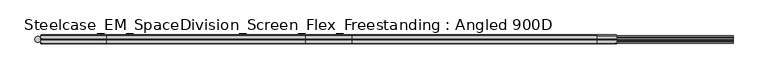
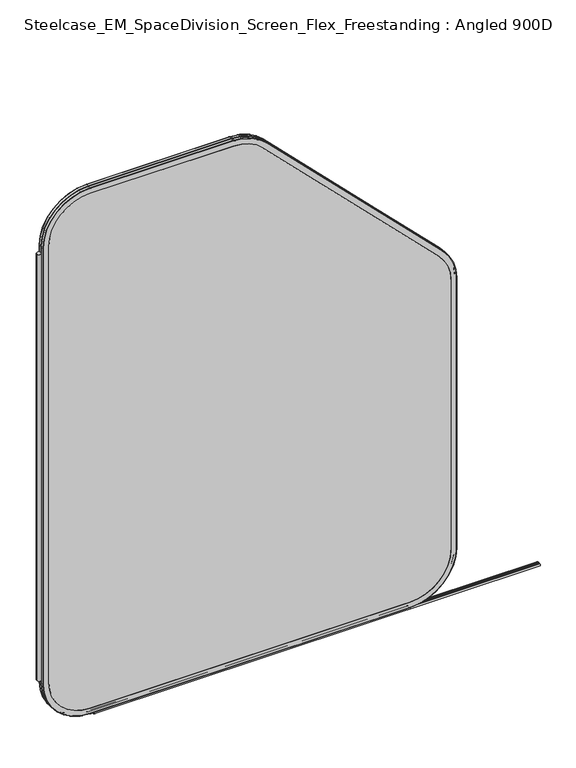
"""IFC4 building model written with IfcOpenShell, lengths in millimetres: furniture geometry, Steelcase_EM_SpaceDivision_Screen_Flex_Freestanding : Angled 900D."""

from ifc_helpers import new_model, si_unit, point, frame, frame_2d, origin, place, context, project, spatial, polyline, circle_curve, ellipse_curve, trimmed, segment, composite_curve, outline, extrude, source, transform, mapped, element, save
from ifc_brep_helpers import plane_surface, cylinder_surface, revolved_surface, advanced_brep


def steelcase_em_spacedivision_screen_flex_freestanding_angled_c99e018a(model_context):
    return source(origin(), model_context, "Body", "SolidModel", [
        extrude(outline(composite_curve([segment(trimmed(circle_curve(frame_2d((4.5307839, 0.0)), 4.572), [point((-0.0412161, 0.0))], [point((9.1027839, 0.0))], False, "CARTESIAN"), True, "CONTINUOUS"), segment(trimmed(circle_curve(frame_2d((4.5307839, 0.0)), 4.572), [point((9.1027839, 0.0))], [point((-0.0412161, 0.0))], False, "CARTESIAN"), True, "CONTINUOUS")], self_intersect=False)), frame((0.0, 0.0, 115.57), z_axis=(0.0, 0.0, 1.0), x_axis=(1.0, 0.0, 0.0)), (0.0, 0.0, 1.0), 968.86),
        advanced_brep(
        [(110.7653521, 5.9845715, 4.9996464), (9.1653521, 5.9845715, 106.5996464), (10.0387806, 6.858, 106.5996464), (110.7653521, 6.858, 5.8730749), (110.7653521, 0.762, 4.9996464), (9.1653521, 0.762, 106.5996464), (110.7653521, 0.0, 5.7616464), (9.9273521, 0.0, 106.5996464), (110.7653521, 6.858, 17.6996464), (21.8653521, 6.858, 106.5996464), (21.8653521, 0.0, 106.5996464), (110.7653521, 0.0, 17.6996464), (798.322, 6.858, 5.8730749), (798.322, 5.9845715, 4.9996464), (798.322, 0.762, 4.9996464), (798.322, 0.0, 5.7616464), (798.322, 0.0, 17.6996464), (798.322, 6.858, 17.6996464), (899.922, 5.9845715, 106.5996464), (899.0485715, 6.858, 106.5996464), (899.922, 0.762, 106.5996464), (899.16, 0.0, 106.5996464), (887.222, 6.858, 106.5996464), (887.222, 0.0, 106.5996464), (899.0485715, 6.858, 718.9932099), (899.922, 5.9845715, 718.9932099), (899.922, 0.762, 718.9932099), (899.16, 0.0, 718.9932099), (887.222, 0.0, 718.9932099), (887.222, 6.858, 718.9932099), (870.164049, 5.9845715, 790.8352588), (869.5464418, 6.858, 790.2176516), (870.164049, 0.762, 790.8352588), (869.6252336, 0.0, 790.2964435), (861.1837928, 6.858, 781.8550027), (861.1837928, 0.0, 781.8550027), (490.1396516, 6.858, 1169.6244418), (490.7572588, 5.9845715, 1170.242049), (490.7572588, 0.762, 1170.242049), (490.2184435, 0.0, 1169.7032336), (481.7770027, 0.0, 1161.2617928), (481.7770027, 6.858, 1161.2617928), (418.9152099, 5.9845715, 1200.0), (418.9152099, 6.858, 1199.1265715), (418.9152099, 0.762, 1200.0), (418.9152099, 0.0, 1199.238), (418.9152099, 6.858, 1187.3), (418.9152099, 0.0, 1187.3), (110.7653521, 6.858, 1199.1265715), (110.7653521, 5.9845715, 1200.0), (110.7653521, 0.762, 1200.0), (110.7653521, 0.0, 1199.238), (110.7653521, 0.0, 1187.3), (110.7653521, 6.858, 1187.3), (9.1653521, 5.9845715, 1098.4), (10.0387806, 6.858, 1098.4), (9.1653521, 0.762, 1098.4), (9.9273521, 0.0, 1098.4), (21.8653521, 6.858, 1098.4), (21.8653521, 0.0, 1098.4)],
        [
            (0, 1, circle_curve(frame((110.7653521, 5.9845715, 106.5996464), z_axis=(0.0, 1.0, 0.0), x_axis=(-1.0, 0.0, 0.0)), 101.6)),
            (1, 2, circle_curve(frame((10.0387806, 5.9845715, 106.5996464), z_axis=(0.0, 0.0, -1.0), x_axis=(0.0, -1.0, 0.0)), 0.8734285)),
            (2, 3, circle_curve(frame((110.7653521, 6.858, 106.5996464), z_axis=(0.0, -1.0, 0.0), x_axis=(-1.0, 0.0, 0.0)), 100.7265715)),
            (3, 0, circle_curve(frame((110.7653521, 5.9845715, 5.8730749), z_axis=(-1.0, 0.0, 0.0), x_axis=(0.0, -1.0, 0.0)), 0.8734285)),
            (4, 5, circle_curve(frame((110.7653521, 0.762, 106.5996464), z_axis=(0.0, 1.0, 0.0), x_axis=(-1.0, 0.0, 0.0)), 101.6)),
            (5, 1),
            (0, 4),
            (6, 7, circle_curve(frame((110.7653521, 0.0, 106.5996464), z_axis=(0.0, 1.0, 0.0), x_axis=(-1.0, 0.0, 0.0)), 100.838)),
            (7, 5, circle_curve(frame((9.9273521, 0.762, 106.5996464), z_axis=(0.0, 0.0, -1.0), x_axis=(0.0, -1.0, 0.0)), 0.762)),
            (4, 6, circle_curve(frame((110.7653521, 0.762, 5.7616464), z_axis=(-1.0, 0.0, 0.0), x_axis=(0.0, -1.0, 0.0)), 0.762)),
            (8, 9, circle_curve(frame((110.7653521, 6.858, 106.5996464), z_axis=(0.0, 1.0, 0.0), x_axis=(-1.0, 0.0, 0.0)), 88.9)),
            (9, 10),
            (10, 11, circle_curve(frame((110.7653521, 0.0, 106.5996464), z_axis=(0.0, -1.0, 0.0), x_axis=(-1.0, 0.0, 0.0)), 88.9)),
            (11, 8),
            (3, 12),
            (12, 13, circle_curve(frame((798.322, 5.9845715, 5.8730749), z_axis=(-1.0, 0.0, 0.0), x_axis=(0.0, -1.0, 0.0)), 0.8734285)),
            (13, 0),
            (13, 14),
            (14, 4),
            (14, 15, circle_curve(frame((798.322, 0.762, 5.7616464), z_axis=(-1.0, 0.0, 0.0), x_axis=(0.0, -1.0, 0.0)), 0.762)),
            (15, 6),
            (11, 16),
            (16, 17),
            (17, 8),
            (18, 13, circle_curve(frame((798.322, 5.9845715, 106.5996464), z_axis=(0.0, 1.0, 0.0), x_axis=(0.0, 0.0, -1.0)), 101.6)),
            (12, 19, circle_curve(frame((798.322, 6.858, 106.5996464), z_axis=(0.0, -1.0, 0.0), x_axis=(0.0, 0.0, -1.0)), 100.7265715)),
            (19, 18, circle_curve(frame((899.0485715, 5.9845715, 106.5996464), z_axis=(0.0, 0.0, -1.0), x_axis=(0.0, -1.0, 0.0)), 0.8734285)),
            (20, 14, circle_curve(frame((798.322, 0.762, 106.5996464), z_axis=(0.0, 1.0, 0.0), x_axis=(0.0, 0.0, -1.0)), 101.6)),
            (18, 20),
            (21, 15, circle_curve(frame((798.322, 0.0, 106.5996464), z_axis=(0.0, 1.0, 0.0), x_axis=(0.0, 0.0, -1.0)), 100.838)),
            (20, 21, circle_curve(frame((899.16, 0.762, 106.5996464), z_axis=(0.0, 0.0, -1.0), x_axis=(0.0, -1.0, 0.0)), 0.762)),
            (22, 17, circle_curve(frame((798.322, 6.858, 106.5996464), z_axis=(0.0, 1.0, 0.0), x_axis=(0.0, 0.0, -1.0)), 88.9)),
            (16, 23, circle_curve(frame((798.322, 0.0, 106.5996464), z_axis=(0.0, -1.0, 0.0), x_axis=(0.0, 0.0, -1.0)), 88.9)),
            (23, 22),
            (19, 24),
            (24, 25, circle_curve(frame((899.0485715, 5.9845715, 718.9932099), z_axis=(0.0, 0.0, -1.0), x_axis=(0.0, -1.0, 0.0)), 0.8734285)),
            (25, 18),
            (25, 26),
            (26, 20),
            (26, 27, circle_curve(frame((899.16, 0.762, 718.9932099), z_axis=(0.0, 0.0, -1.0), x_axis=(0.0, -1.0, 0.0)), 0.762)),
            (27, 21),
            (23, 28),
            (28, 29),
            (29, 22),
            (30, 25, circle_curve(frame((798.322, 5.9845715, 718.9932099), z_axis=(0.0, 1.0, 0.0), x_axis=(1.0, 0.0, 0.0)), 101.6)),
            (24, 31, circle_curve(frame((798.322, 6.858, 718.9932099), z_axis=(0.0, -1.0, 0.0), x_axis=(1.0, 0.0, 0.0)), 100.7265715)),
            (31, 30, circle_curve(frame((869.5464418, 5.9845715, 790.2176516), z_axis=(0.7071067811865717, 0.0, -0.7071067811865234), x_axis=(0.0, -1.0, 0.0)), 0.8734285)),
            (32, 26, circle_curve(frame((798.322, 0.762, 718.9932099), z_axis=(0.0, 1.0, 0.0), x_axis=(1.0, 0.0, 0.0)), 101.6)),
            (30, 32),
            (33, 27, circle_curve(frame((798.322, 0.0, 718.9932099), z_axis=(0.0, 1.0, 0.0), x_axis=(1.0, 0.0, 0.0)), 100.838)),
            (32, 33, circle_curve(frame((869.6252336, 0.762, 790.2964435), z_axis=(0.7071067811865707, 0.0, -0.7071067811865244), x_axis=(0.0, -1.0, 0.0)), 0.762)),
            (34, 29, circle_curve(frame((798.322, 6.858, 718.9932099), z_axis=(0.0, 1.0, 0.0), x_axis=(1.0, 0.0, 0.0)), 88.9)),
            (28, 35, circle_curve(frame((798.322, 0.0, 718.9932099), z_axis=(0.0, -1.0, 0.0), x_axis=(1.0, 0.0, 0.0)), 88.9)),
            (35, 34),
            (31, 36),
            (36, 37, circle_curve(frame((490.1396516, 5.9845715, 1169.6244418), z_axis=(0.7071067811865462, 0.0, -0.707106781186549), x_axis=(0.0, -1.0, 0.0)), 0.8734285)),
            (37, 30),
            (37, 38),
            (38, 32),
            (38, 39, circle_curve(frame((490.2184435, 0.762, 1169.7032336), z_axis=(0.7071067811865462, 0.0, -0.707106781186549), x_axis=(0.0, -1.0, 0.0)), 0.762)),
            (39, 33),
            (35, 40),
            (40, 41),
            (41, 34),
            (42, 37, circle_curve(frame((418.9152099, 5.9845715, 1098.4), z_axis=(0.0, 1.0, 0.0), x_axis=(0.7071067811865533, 0.0, 0.7071067811865417)), 101.6)),
            (36, 43, circle_curve(frame((418.9152099, 6.858, 1098.4), z_axis=(0.0, -1.0, 0.0), x_axis=(0.7071067811865533, 0.0, 0.7071067811865417)), 100.7265715)),
            (43, 42, circle_curve(frame((418.9152099, 5.9845715, 1199.1265715), z_axis=(1.0, 0.0, 0.0), x_axis=(0.0, -1.0, 0.0)), 0.8734285)),
            (44, 38, circle_curve(frame((418.9152099, 0.762, 1098.4), z_axis=(0.0, 1.0, 0.0), x_axis=(0.7071067811865533, 0.0, 0.7071067811865417)), 101.6)),
            (42, 44),
            (45, 39, circle_curve(frame((418.9152099, 0.0, 1098.4), z_axis=(0.0, 1.0, 0.0), x_axis=(0.7071067811865533, 0.0, 0.7071067811865417)), 100.838)),
            (44, 45, circle_curve(frame((418.9152099, 0.762, 1199.238), z_axis=(1.0, 0.0, 0.0), x_axis=(0.0, -1.0, 0.0)), 0.762)),
            (46, 41, circle_curve(frame((418.9152099, 6.858, 1098.4), z_axis=(0.0, 1.0, 0.0), x_axis=(0.7071067811865533, 0.0, 0.7071067811865417)), 88.9)),
            (40, 47, circle_curve(frame((418.9152099, 0.0, 1098.4), z_axis=(0.0, -1.0, 0.0), x_axis=(0.7071067811865533, 0.0, 0.7071067811865417)), 88.9)),
            (47, 46),
            (43, 48),
            (48, 49, circle_curve(frame((110.7653521, 5.9845715, 1199.1265715), z_axis=(1.0, 0.0, 0.0), x_axis=(0.0, -1.0, 0.0)), 0.8734285)),
            (49, 42),
            (49, 50),
            (50, 44),
            (50, 51, circle_curve(frame((110.7653521, 0.762, 1199.238), z_axis=(1.0, 0.0, 0.0), x_axis=(0.0, -1.0, 0.0)), 0.762)),
            (51, 45),
            (47, 52),
            (52, 53),
            (53, 46),
            (54, 49, circle_curve(frame((110.7653521, 5.9845715, 1098.4), z_axis=(0.0, 1.0, 0.0), x_axis=(0.0, 0.0, 1.0)), 101.6)),
            (48, 55, circle_curve(frame((110.7653521, 6.858, 1098.4), z_axis=(0.0, -1.0, 0.0), x_axis=(0.0, 0.0, 1.0)), 100.7265715)),
            (55, 54, circle_curve(frame((10.0387806, 5.9845715, 1098.4), z_axis=(0.0, 0.0, 1.0), x_axis=(0.0, -1.0, 0.0)), 0.8734285)),
            (56, 50, circle_curve(frame((110.7653521, 0.762, 1098.4), z_axis=(0.0, 1.0, 0.0), x_axis=(0.0, 0.0, 1.0)), 101.6)),
            (54, 56),
            (57, 51, circle_curve(frame((110.7653521, 0.0, 1098.4), z_axis=(0.0, 1.0, 0.0), x_axis=(0.0, 0.0, 1.0)), 100.838)),
            (56, 57, circle_curve(frame((9.9273521, 0.762, 1098.4), z_axis=(0.0, 0.0, 1.0), x_axis=(0.0, -1.0, 0.0)), 0.762)),
            (58, 53, circle_curve(frame((110.7653521, 6.858, 1098.4), z_axis=(0.0, 1.0, 0.0), x_axis=(0.0, 0.0, 1.0)), 88.9)),
            (52, 59, circle_curve(frame((110.7653521, 0.0, 1098.4), z_axis=(0.0, -1.0, 0.0), x_axis=(0.0, 0.0, 1.0)), 88.9)),
            (59, 58),
            (2, 55),
            (58, 9),
            (1, 54),
            (5, 56),
            (7, 57),
            (10, 59),
        ],
        [
            revolved_surface(trimmed(ellipse_curve(frame((10.0387806, 5.9845715, 106.5996464), z_axis=(0.0, 0.0, 1.0), x_axis=(0.0, -1.0, 0.0)), 0.8734285, 0.8734285), [point((10.0387806, 6.858, 106.5996464))], [point((9.1653521, 5.9845715, 106.5996464))], True, "CARTESIAN"), (110.7653521, 0.0, 106.5996464), (0.0, -1.0, 0.0)),
            cylinder_surface(frame((110.7653521, 0.0, 106.5996464), z_axis=(0.0, -1.0, 0.0), x_axis=(-1.0, 0.0, 0.0)), 101.6),
            revolved_surface(trimmed(ellipse_curve(frame((9.9273521, 0.762, 106.5996464), z_axis=(0.0, 0.0, 1.0), x_axis=(0.0, -1.0, 0.0)), 0.762, 0.762), [point((9.1653521, 0.762, 106.5996464))], [point((9.9273521, 0.0, 106.5996464))], True, "CARTESIAN"), (110.7653521, 0.0, 106.5996464), (0.0, -1.0, 0.0)),
            revolved_surface(polyline([(21.865352099999996, 0.0, 106.5996464), (21.865352099999996, 6.858, 106.5996464)]), (110.7653521, 0.0, 106.5996464), (0.0, -1.0, 0.0)),
            cylinder_surface(frame((110.7653521, 5.9845715, 5.8730749), z_axis=(-1.0, 0.0, 0.0), x_axis=(0.0, -1.0, 0.0)), 0.8734285),
            plane_surface(frame((110.7653521, 5.9845715, 4.9996464), z_axis=(0.0, 0.0, -1.0), x_axis=(1.0, 0.0, 0.0))),
            cylinder_surface(frame((110.7653521, 0.762, 5.7616464), z_axis=(-1.0, 0.0, 0.0), x_axis=(0.0, -1.0, 0.0)), 0.762),
            plane_surface(frame((110.7653521, 0.0, 17.6996464), z_axis=(0.0, 0.0, 1.0), x_axis=(1.0, 0.0, 0.0))),
            revolved_surface(trimmed(ellipse_curve(frame((798.322, 5.9845715, 5.8730749), z_axis=(-1.0, 0.0, 0.0), x_axis=(0.0, -1.0, 0.0)), 0.8734285, 0.8734285), [point((798.322, 6.858, 5.8730749))], [point((798.322, 5.9845715, 4.9996464))], True, "CARTESIAN"), (798.322, 0.0, 106.5996464), (0.0, -1.0, 0.0)),
            cylinder_surface(frame((798.322, 0.0, 106.5996464), z_axis=(0.0, -1.0, 0.0), x_axis=(0.0, 0.0, -1.0)), 101.6),
            revolved_surface(trimmed(ellipse_curve(frame((798.322, 0.762, 5.7616464), z_axis=(-1.0, 0.0, 0.0), x_axis=(0.0, -1.0, 0.0)), 0.762, 0.762), [point((798.322, 0.762, 4.9996464))], [point((798.322, 0.0, 5.7616464))], True, "CARTESIAN"), (798.322, 0.0, 106.5996464), (0.0, -1.0, 0.0)),
            revolved_surface(polyline([(798.322, 0.0, 17.699646399999992), (798.322, 6.858, 17.699646399999992)]), (798.322, 0.0, 106.5996464), (0.0, -1.0, 0.0)),
            cylinder_surface(frame((899.0485715, 5.9845715, 106.5996464), z_axis=(0.0, 0.0, -1.0), x_axis=(0.0, -1.0, 0.0)), 0.8734285),
            plane_surface(frame((899.922, 5.9845715, 106.5996464), z_axis=(1.0, 0.0, 0.0), x_axis=(0.0, 0.0, 1.0))),
            cylinder_surface(frame((899.16, 0.762, 106.5996464), z_axis=(0.0, 0.0, -1.0), x_axis=(0.0, -1.0, 0.0)), 0.762),
            plane_surface(frame((887.222, 0.0, 106.5996464), z_axis=(-1.0, 0.0, 0.0), x_axis=(0.0, 0.0, 1.0))),
            revolved_surface(trimmed(ellipse_curve(frame((899.0485715, 5.9845715, 718.9932099), z_axis=(0.0, 0.0, -1.0), x_axis=(0.0, -1.0, 0.0)), 0.8734285, 0.8734285), [point((899.0485715, 6.858, 718.9932099))], [point((899.922, 5.9845715, 718.9932099))], True, "CARTESIAN"), (798.322, 0.0, 718.9932099), (0.0, -1.0, 0.0)),
            cylinder_surface(frame((798.322, 0.0, 718.9932099), z_axis=(0.0, -1.0, 0.0), x_axis=(1.0, 0.0, 0.0)), 101.6),
            revolved_surface(trimmed(ellipse_curve(frame((899.16, 0.762, 718.9932099), z_axis=(0.0, 0.0, -1.0), x_axis=(0.0, -1.0, 0.0)), 0.762, 0.762), [point((899.922, 0.762, 718.9932099))], [point((899.16, 0.0, 718.9932099))], True, "CARTESIAN"), (798.322, 0.0, 718.9932099), (0.0, -1.0, 0.0)),
            revolved_surface(polyline([(887.222, 0.0, 718.9932099), (887.222, 6.858, 718.9932099)]), (798.322, 0.0, 718.9932099), (0.0, -1.0, 0.0)),
            cylinder_surface(frame((869.5464418, 5.9845715, 790.2176516), z_axis=(0.7071067811865462, 0.0, -0.707106781186549), x_axis=(0.0, -1.0, 0.0)), 0.8734285),
            plane_surface(frame((870.164049, 5.9845715, 790.8352588), z_axis=(0.707106781186549, 0.0, 0.707106781186546), x_axis=(-0.707106781186546, 0.0, 0.707106781186549))),
            cylinder_surface(frame((869.6252336, 0.762, 790.2964435), z_axis=(0.7071067811865462, 0.0, -0.707106781186549), x_axis=(0.0, -1.0, 0.0)), 0.762),
            plane_surface(frame((861.1837928, 0.0, 781.8550027), z_axis=(-0.7071067811865489, 0.0, -0.7071067811865461), x_axis=(-0.7071067811865461, 0.0, 0.7071067811865489))),
            revolved_surface(trimmed(ellipse_curve(frame((490.1396516, 5.9845715, 1169.6244418), z_axis=(0.7071067811865419, 0.0, -0.7071067811865531), x_axis=(0.0, -1.0, 0.0)), 0.8734285, 0.8734285), [point((490.1396516, 6.858, 1169.6244418))], [point((490.7572588, 5.9845715, 1170.242049))], True, "CARTESIAN"), (418.9152099, 0.0, 1098.4), (0.0, -1.0, 0.0)),
            cylinder_surface(frame((418.9152099, 0.0, 1098.4), z_axis=(0.0, -1.0, 0.0), x_axis=(0.7071067811865533, 0.0, 0.7071067811865417)), 101.6),
            revolved_surface(trimmed(ellipse_curve(frame((490.2184435, 0.762, 1169.7032336), z_axis=(0.7071067811865419, 0.0, -0.7071067811865531), x_axis=(0.0, -1.0, 0.0)), 0.762, 0.762), [point((490.7572588, 0.762, 1170.242049))], [point((490.2184435, 0.0, 1169.7032336))], True, "CARTESIAN"), (418.9152099, 0.0, 1098.4), (0.0, -1.0, 0.0)),
            revolved_surface(polyline([(481.7770027474846, 0.0, 1161.2617928474835), (481.7770027474846, 6.858, 1161.2617928474835)]), (418.9152099, 0.0, 1098.4), (0.0, -1.0, 0.0)),
            cylinder_surface(frame((418.9152099, 5.9845715, 1199.1265715), z_axis=(1.0, 0.0, 0.0), x_axis=(0.0, -1.0, 0.0)), 0.8734285),
            plane_surface(frame((418.9152099, 5.9845715, 1200.0), z_axis=(0.0, 0.0, 1.0), x_axis=(-1.0, 0.0, 0.0))),
            cylinder_surface(frame((418.9152099, 0.762, 1199.238), z_axis=(1.0, 0.0, 0.0), x_axis=(0.0, -1.0, 0.0)), 0.762),
            plane_surface(frame((418.9152099, 0.0, 1187.3), z_axis=(0.0, 0.0, -1.0), x_axis=(-1.0, 0.0, 0.0))),
            revolved_surface(trimmed(ellipse_curve(frame((110.7653521, 5.9845715, 1199.1265715), z_axis=(1.0, 0.0, 0.0), x_axis=(0.0, -1.0, 0.0)), 0.8734285, 0.8734285), [point((110.7653521, 6.858, 1199.1265715))], [point((110.7653521, 5.9845715, 1200.0))], True, "CARTESIAN"), (110.7653521, 0.0, 1098.4), (0.0, -1.0, 0.0)),
            cylinder_surface(frame((110.7653521, 0.0, 1098.4), z_axis=(0.0, -1.0, 0.0), x_axis=(0.0, 0.0, 1.0)), 101.6),
            revolved_surface(trimmed(ellipse_curve(frame((110.7653521, 0.762, 1199.238), z_axis=(1.0, 0.0, 0.0), x_axis=(0.0, -1.0, 0.0)), 0.762, 0.762), [point((110.7653521, 0.762, 1200.0))], [point((110.7653521, 0.0, 1199.238))], True, "CARTESIAN"), (110.7653521, 0.0, 1098.4), (0.0, -1.0, 0.0)),
            revolved_surface(polyline([(110.7653521, 0.0, 1187.3000000000002), (110.7653521, 6.858, 1187.3000000000002)]), (110.7653521, 0.0, 1098.4), (0.0, -1.0, 0.0)),
            plane_surface(frame((21.8653521, 6.858, 1098.4), z_axis=(0.0, 1.0, 0.0), x_axis=(0.0, 0.0, -1.0))),
            cylinder_surface(frame((10.0387806, 5.9845715, 1098.4), z_axis=(0.0, 0.0, 1.0), x_axis=(0.0, -1.0, 0.0)), 0.8734285),
            plane_surface(frame((9.1653521, 5.9845715, 1098.4), z_axis=(-1.0, 0.0, 0.0), x_axis=(0.0, 0.0, -1.0))),
            cylinder_surface(frame((9.9273521, 0.762, 1098.4), z_axis=(0.0, 0.0, 1.0), x_axis=(0.0, -1.0, 0.0)), 0.762),
            plane_surface(frame((9.9273521, 0.0, 1098.4), z_axis=(0.0, -1.0, 0.0), x_axis=(0.0, 0.0, -1.0))),
            plane_surface(frame((21.8653521, 0.0, 1098.4), z_axis=(1.0, 0.0, 0.0), x_axis=(0.0, 0.0, -1.0))),
        ],
        [
            (0, [[1, 2, 3, 4]]),
            (1, [[5, 6, -1, 7]]),
            (2, [[8, 9, -5, 10]]),
            (3, [[11, 12, 13, 14]]),
            (4, [[-4, 15, 16, 17]]),
            (5, [[-7, -17, 18, 19]]),
            (6, [[-10, -19, 20, 21]]),
            (7, [[-14, 22, 23, 24]]),
            (8, [[25, -16, 26, 27]]),
            (9, [[28, -18, -25, 29]]),
            (10, [[30, -20, -28, 31]]),
            (11, [[32, -23, 33, 34]]),
            (12, [[-27, 35, 36, 37]]),
            (13, [[-29, -37, 38, 39]]),
            (14, [[-31, -39, 40, 41]]),
            (15, [[-34, 42, 43, 44]]),
            (16, [[45, -36, 46, 47]]),
            (17, [[48, -38, -45, 49]]),
            (18, [[50, -40, -48, 51]]),
            (19, [[52, -43, 53, 54]]),
            (20, [[-47, 55, 56, 57]]),
            (21, [[-49, -57, 58, 59]]),
            (22, [[-51, -59, 60, 61]]),
            (23, [[-54, 62, 63, 64]]),
            (24, [[65, -56, 66, 67]]),
            (25, [[68, -58, -65, 69]]),
            (26, [[70, -60, -68, 71]]),
            (27, [[72, -63, 73, 74]]),
            (28, [[-67, 75, 76, 77]]),
            (29, [[-69, -77, 78, 79]]),
            (30, [[-71, -79, 80, 81]]),
            (31, [[-74, 82, 83, 84]]),
            (32, [[85, -76, 86, 87]]),
            (33, [[88, -78, -85, 89]]),
            (34, [[90, -80, -88, 91]]),
            (35, [[92, -83, 93, 94]]),
            (36, [[95, -86, -75, -66, -55, -46, -35, -26, -15, -3], [-84, -92, 96, -11, -24, -32, -44, -52, -64, -72]]),
            (37, [[-87, -95, -2, 97]]),
            (38, [[-89, -97, -6, 98]]),
            (39, [[-91, -98, -9, 99]]),
            (40, [[-81, -90, -99, -8, -21, -30, -41, -50, -61, -70], [100, -93, -82, -73, -62, -53, -42, -33, -22, -13]]),
            (41, [[-94, -100, -12, -96]]),
        ],
    ),
        advanced_brep(
        [(110.7653521, -0.762, 4.9996464), (9.1653521, -0.762, 106.5996464), (9.9273521, 0.0, 106.5996464), (110.7653521, 0.0, 5.7616464), (110.7653521, -6.096, 4.9996464), (9.1653521, -6.096, 106.5996464), (110.7653521, -6.858, 5.7616464), (9.9273521, -6.858, 106.5996464), (110.7653521, 0.0, 17.6996464), (21.8653521, 0.0, 106.5996464), (21.8653521, -6.858, 106.5996464), (110.7653521, -6.858, 17.6996464), (798.322, 0.0, 5.7616464), (798.322, -0.762, 4.9996464), (798.322, -6.096, 4.9996464), (798.322, -6.858, 5.7616464), (798.322, -6.858, 17.6996464), (798.322, 0.0, 17.6996464), (899.922, -0.762, 106.5996464), (899.16, 0.0, 106.5996464), (899.922, -6.096, 106.5996464), (899.16, -6.858, 106.5996464), (887.222, 0.0, 106.5996464), (887.222, -6.858, 106.5996464), (899.16, 0.0, 718.9932099), (899.922, -0.762, 718.9932099), (899.922, -6.096, 718.9932099), (899.16, -6.858, 718.9932099), (887.222, -6.858, 718.9932099), (887.222, 0.0, 718.9932099), (870.164049, -0.762, 790.8352588), (869.6252336, 0.0, 790.2964435), (870.164049, -6.096, 790.8352588), (869.6252336, -6.858, 790.2964435), (861.1837928, 0.0, 781.8550027), (861.1837928, -6.858, 781.8550027), (490.2184435, 0.0, 1169.7032336), (490.7572588, -0.762, 1170.242049), (490.7572588, -6.096, 1170.242049), (490.2184435, -6.858, 1169.7032336), (481.7770027, -6.858, 1161.2617928), (481.7770027, 0.0, 1161.2617928), (418.9152099, -0.762, 1200.0), (418.9152099, 0.0, 1199.238), (418.9152099, -6.096, 1200.0), (418.9152099, -6.858, 1199.238), (418.9152099, 0.0, 1187.3), (418.9152099, -6.858, 1187.3), (110.7653521, 0.0, 1199.238), (110.7653521, -0.762, 1200.0), (110.7653521, -6.096, 1200.0), (110.7653521, -6.858, 1199.238), (110.7653521, -6.858, 1187.3), (110.7653521, 0.0, 1187.3), (9.1653521, -0.762, 1098.4), (9.9273521, 0.0, 1098.4), (9.1653521, -6.096, 1098.4), (9.9273521, -6.858, 1098.4), (21.8653521, 0.0, 1098.4), (21.8653521, -6.858, 1098.4)],
        [
            (0, 1, circle_curve(frame((110.7653521, -0.762, 106.5996464), z_axis=(0.0, 1.0, 0.0), x_axis=(-1.0, 0.0, 0.0)), 101.6)),
            (1, 2, circle_curve(frame((9.9273521, -0.762, 106.5996464), z_axis=(0.0, 0.0, -1.0), x_axis=(0.0, -1.0, 0.0)), 0.762)),
            (2, 3, circle_curve(frame((110.7653521, 0.0, 106.5996464), z_axis=(0.0, -1.0, 0.0), x_axis=(-1.0, 0.0, 0.0)), 100.838)),
            (3, 0, circle_curve(frame((110.7653521, -0.762, 5.7616464), z_axis=(-1.0, 0.0, 0.0), x_axis=(0.0, -1.0, 0.0)), 0.762)),
            (4, 5, circle_curve(frame((110.7653521, -6.096, 106.5996464), z_axis=(0.0, 1.0, 0.0), x_axis=(-1.0, 0.0, 0.0)), 101.6)),
            (5, 1),
            (0, 4),
            (6, 7, circle_curve(frame((110.7653521, -6.858, 106.5996464), z_axis=(0.0, 1.0, 0.0), x_axis=(-1.0, 0.0, 0.0)), 100.838)),
            (7, 5, circle_curve(frame((9.9273521, -6.096, 106.5996464), z_axis=(0.0, 0.0, -1.0), x_axis=(0.0, -1.0, 0.0)), 0.762)),
            (4, 6, circle_curve(frame((110.7653521, -6.096, 5.7616464), z_axis=(-1.0, 0.0, 0.0), x_axis=(0.0, -1.0, 0.0)), 0.762)),
            (8, 9, circle_curve(frame((110.7653521, 0.0, 106.5996464), z_axis=(0.0, 1.0, 0.0), x_axis=(-1.0, 0.0, 0.0)), 88.9)),
            (9, 10),
            (10, 11, circle_curve(frame((110.7653521, -6.858, 106.5996464), z_axis=(0.0, -1.0, 0.0), x_axis=(-1.0, 0.0, 0.0)), 88.9)),
            (11, 8),
            (3, 12),
            (12, 13, circle_curve(frame((798.322, -0.762, 5.7616464), z_axis=(-1.0, 0.0, 0.0), x_axis=(0.0, -1.0, 0.0)), 0.762)),
            (13, 0),
            (13, 14),
            (14, 4),
            (14, 15, circle_curve(frame((798.322, -6.096, 5.7616464), z_axis=(-1.0, 0.0, 0.0), x_axis=(0.0, -1.0, 0.0)), 0.762)),
            (15, 6),
            (11, 16),
            (16, 17),
            (17, 8),
            (18, 13, circle_curve(frame((798.322, -0.762, 106.5996464), z_axis=(0.0, 1.0, 0.0), x_axis=(0.0, 0.0, -1.0)), 101.6)),
            (12, 19, circle_curve(frame((798.322, 0.0, 106.5996464), z_axis=(0.0, -1.0, 0.0), x_axis=(0.0, 0.0, -1.0)), 100.838)),
            (19, 18, circle_curve(frame((899.16, -0.762, 106.5996464), z_axis=(0.0, 0.0, -1.0), x_axis=(0.0, -1.0, 0.0)), 0.762)),
            (20, 14, circle_curve(frame((798.322, -6.096, 106.5996464), z_axis=(0.0, 1.0, 0.0), x_axis=(0.0, 0.0, -1.0)), 101.6)),
            (18, 20),
            (21, 15, circle_curve(frame((798.322, -6.858, 106.5996464), z_axis=(0.0, 1.0, 0.0), x_axis=(0.0, 0.0, -1.0)), 100.838)),
            (20, 21, circle_curve(frame((899.16, -6.096, 106.5996464), z_axis=(0.0, 0.0, -1.0), x_axis=(0.0, -1.0, 0.0)), 0.762)),
            (22, 17, circle_curve(frame((798.322, 0.0, 106.5996464), z_axis=(0.0, 1.0, 0.0), x_axis=(0.0, 0.0, -1.0)), 88.9)),
            (16, 23, circle_curve(frame((798.322, -6.858, 106.5996464), z_axis=(0.0, -1.0, 0.0), x_axis=(0.0, 0.0, -1.0)), 88.9)),
            (23, 22),
            (19, 24),
            (24, 25, circle_curve(frame((899.16, -0.762, 718.9932099), z_axis=(0.0, 0.0, -1.0), x_axis=(0.0, -1.0, 0.0)), 0.762)),
            (25, 18),
            (25, 26),
            (26, 20),
            (26, 27, circle_curve(frame((899.16, -6.096, 718.9932099), z_axis=(0.0, 0.0, -1.0), x_axis=(0.0, -1.0, 0.0)), 0.762)),
            (27, 21),
            (23, 28),
            (28, 29),
            (29, 22),
            (30, 25, circle_curve(frame((798.322, -0.762, 718.9932099), z_axis=(0.0, 1.0, 0.0), x_axis=(1.0, 0.0, 0.0)), 101.6)),
            (24, 31, circle_curve(frame((798.322, 0.0, 718.9932099), z_axis=(0.0, -1.0, 0.0), x_axis=(1.0, 0.0, 0.0)), 100.838)),
            (31, 30, circle_curve(frame((869.6252336, -0.762, 790.2964435), z_axis=(0.7071067811865714, 0.0, -0.7071067811865236), x_axis=(0.0, -1.0, 0.0)), 0.762)),
            (32, 26, circle_curve(frame((798.322, -6.096, 718.9932099), z_axis=(0.0, 1.0, 0.0), x_axis=(1.0, 0.0, 0.0)), 101.6)),
            (30, 32),
            (33, 27, circle_curve(frame((798.322, -6.858, 718.9932099), z_axis=(0.0, 1.0, 0.0), x_axis=(1.0, 0.0, 0.0)), 100.838)),
            (32, 33, circle_curve(frame((869.6252336, -6.096, 790.2964435), z_axis=(0.7071067811865712, 0.0, -0.7071067811865239), x_axis=(0.0, -1.0, 0.0)), 0.762)),
            (34, 29, circle_curve(frame((798.322, 0.0, 718.9932099), z_axis=(0.0, 1.0, 0.0), x_axis=(1.0, 0.0, 0.0)), 88.9)),
            (28, 35, circle_curve(frame((798.322, -6.858, 718.9932099), z_axis=(0.0, -1.0, 0.0), x_axis=(1.0, 0.0, 0.0)), 88.9)),
            (35, 34),
            (31, 36),
            (36, 37, circle_curve(frame((490.2184435, -0.762, 1169.7032336), z_axis=(0.7071067811865459, 0.0, -0.7071067811865491), x_axis=(0.0, -1.0, 0.0)), 0.762)),
            (37, 30),
            (37, 38),
            (38, 32),
            (38, 39, circle_curve(frame((490.2184435, -6.096, 1169.7032336), z_axis=(0.7071067811865459, 0.0, -0.7071067811865491), x_axis=(0.0, -1.0, 0.0)), 0.762)),
            (39, 33),
            (35, 40),
            (40, 41),
            (41, 34),
            (42, 37, circle_curve(frame((418.9152099, -0.762, 1098.4), z_axis=(0.0, 1.0, 0.0), x_axis=(0.7071067811865546, 0.0, 0.7071067811865404)), 101.6)),
            (36, 43, circle_curve(frame((418.9152099, 0.0, 1098.4), z_axis=(0.0, -1.0, 0.0), x_axis=(0.7071067811865546, 0.0, 0.7071067811865404)), 100.838)),
            (43, 42, circle_curve(frame((418.9152099, -0.762, 1199.238), z_axis=(0.9999999999999998, 0.0, 0.0), x_axis=(0.0, -1.0, 0.0)), 0.762)),
            (44, 38, circle_curve(frame((418.9152099, -6.096, 1098.4), z_axis=(0.0, 1.0, 0.0), x_axis=(0.7071067811865546, 0.0, 0.7071067811865404)), 101.6)),
            (42, 44),
            (45, 39, circle_curve(frame((418.9152099, -6.858, 1098.4), z_axis=(0.0, 1.0, 0.0), x_axis=(0.7071067811865546, 0.0, 0.7071067811865404)), 100.838)),
            (44, 45, circle_curve(frame((418.9152099, -6.096, 1199.238), z_axis=(0.9999999999999999, 0.0, 0.0), x_axis=(0.0, -1.0, 0.0)), 0.762)),
            (46, 41, circle_curve(frame((418.9152099, 0.0, 1098.4), z_axis=(0.0, 1.0, 0.0), x_axis=(0.7071067811865546, 0.0, 0.7071067811865404)), 88.9)),
            (40, 47, circle_curve(frame((418.9152099, -6.858, 1098.4), z_axis=(0.0, -1.0, 0.0), x_axis=(0.7071067811865546, 0.0, 0.7071067811865404)), 88.9)),
            (47, 46),
            (43, 48),
            (48, 49, circle_curve(frame((110.7653521, -0.762, 1199.238), z_axis=(1.0, 0.0, 0.0), x_axis=(0.0, -1.0, 0.0)), 0.762)),
            (49, 42),
            (49, 50),
            (50, 44),
            (50, 51, circle_curve(frame((110.7653521, -6.096, 1199.238), z_axis=(1.0, 0.0, 0.0), x_axis=(0.0, -1.0, 0.0)), 0.762)),
            (51, 45),
            (47, 52),
            (52, 53),
            (53, 46),
            (54, 49, circle_curve(frame((110.7653521, -0.762, 1098.4), z_axis=(0.0, 1.0, 0.0), x_axis=(0.0, 0.0, 1.0)), 101.6)),
            (48, 55, circle_curve(frame((110.7653521, 0.0, 1098.4), z_axis=(0.0, -1.0, 0.0), x_axis=(0.0, 0.0, 1.0)), 100.838)),
            (55, 54, circle_curve(frame((9.9273521, -0.762, 1098.4), z_axis=(0.0, 0.0, 1.0), x_axis=(0.0, -1.0, 0.0)), 0.762)),
            (56, 50, circle_curve(frame((110.7653521, -6.096, 1098.4), z_axis=(0.0, 1.0, 0.0), x_axis=(0.0, 0.0, 1.0)), 101.6)),
            (54, 56),
            (57, 51, circle_curve(frame((110.7653521, -6.858, 1098.4), z_axis=(0.0, 1.0, 0.0), x_axis=(0.0, 0.0, 1.0)), 100.838)),
            (56, 57, circle_curve(frame((9.9273521, -6.096, 1098.4), z_axis=(0.0, 0.0, 1.0), x_axis=(0.0, -1.0, 0.0)), 0.762)),
            (58, 53, circle_curve(frame((110.7653521, 0.0, 1098.4), z_axis=(0.0, 1.0, 0.0), x_axis=(0.0, 0.0, 1.0)), 88.9)),
            (52, 59, circle_curve(frame((110.7653521, -6.858, 1098.4), z_axis=(0.0, -1.0, 0.0), x_axis=(0.0, 0.0, 1.0)), 88.9)),
            (59, 58),
            (2, 55),
            (58, 9),
            (1, 54),
            (5, 56),
            (7, 57),
            (10, 59),
        ],
        [
            revolved_surface(trimmed(ellipse_curve(frame((9.9273521, -0.762, 106.5996464), z_axis=(0.0, 0.0, 1.0), x_axis=(0.0, -1.0, 0.0)), 0.762, 0.762), [point((9.9273521, 0.0, 106.5996464))], [point((9.1653521, -0.762, 106.5996464))], True, "CARTESIAN"), (110.7653521, 0.0, 106.5996464), (0.0, -1.0, 0.0)),
            cylinder_surface(frame((110.7653521, 0.0, 106.5996464), z_axis=(0.0, -1.0, 0.0), x_axis=(-1.0, 0.0, 0.0)), 101.6),
            revolved_surface(trimmed(ellipse_curve(frame((9.9273521, -6.096, 106.5996464), z_axis=(0.0, 0.0, 1.0), x_axis=(0.0, -1.0, 0.0)), 0.762, 0.762), [point((9.1653521, -6.096, 106.5996464))], [point((9.9273521, -6.858, 106.5996464))], True, "CARTESIAN"), (110.7653521, 0.0, 106.5996464), (0.0, -1.0, 0.0)),
            revolved_surface(polyline([(21.865352099999996, -6.858, 106.5996464), (21.865352099999996, 0.0, 106.5996464)]), (110.7653521, 0.0, 106.5996464), (0.0, -1.0, 0.0)),
            cylinder_surface(frame((110.7653521, -0.762, 5.7616464), z_axis=(-1.0, 0.0, 0.0), x_axis=(0.0, -1.0, 0.0)), 0.762),
            plane_surface(frame((110.7653521, -0.762, 4.9996464), z_axis=(0.0, 0.0, -1.0), x_axis=(1.0, 0.0, 0.0))),
            cylinder_surface(frame((110.7653521, -6.096, 5.7616464), z_axis=(-1.0, 0.0, 0.0), x_axis=(0.0, -1.0, 0.0)), 0.762),
            plane_surface(frame((110.7653521, -6.858, 17.6996464), z_axis=(0.0, 0.0, 1.0), x_axis=(1.0, 0.0, 0.0))),
            revolved_surface(trimmed(ellipse_curve(frame((798.322, -0.762, 5.7616464), z_axis=(-1.0, 0.0, 0.0), x_axis=(0.0, -1.0, 0.0)), 0.762, 0.762), [point((798.322, 0.0, 5.7616464))], [point((798.322, -0.762, 4.9996464))], True, "CARTESIAN"), (798.322, 0.0, 106.5996464), (0.0, -1.0, 0.0)),
            cylinder_surface(frame((798.322, 0.0, 106.5996464), z_axis=(0.0, -1.0, 0.0), x_axis=(0.0, 0.0, -1.0)), 101.6),
            revolved_surface(trimmed(ellipse_curve(frame((798.322, -6.096, 5.7616464), z_axis=(-1.0, 0.0, 0.0), x_axis=(0.0, -1.0, 0.0)), 0.762, 0.762), [point((798.322, -6.096, 4.9996464))], [point((798.322, -6.858, 5.7616464))], True, "CARTESIAN"), (798.322, 0.0, 106.5996464), (0.0, -1.0, 0.0)),
            revolved_surface(polyline([(798.322, -6.858, 17.699646399999992), (798.322, 0.0, 17.699646399999992)]), (798.322, 0.0, 106.5996464), (0.0, -1.0, 0.0)),
            cylinder_surface(frame((899.16, -0.762, 106.5996464), z_axis=(0.0, 0.0, -1.0), x_axis=(0.0, -1.0, 0.0)), 0.762),
            plane_surface(frame((899.922, -0.762, 106.5996464), z_axis=(1.0, 0.0, 0.0), x_axis=(0.0, 0.0, 1.0))),
            cylinder_surface(frame((899.16, -6.096, 106.5996464), z_axis=(0.0, 0.0, -1.0), x_axis=(0.0, -1.0, 0.0)), 0.762),
            plane_surface(frame((887.222, -6.858, 106.5996464), z_axis=(-1.0, 0.0, 0.0), x_axis=(0.0, 0.0, 1.0))),
            revolved_surface(trimmed(ellipse_curve(frame((899.16, -0.762, 718.9932099), z_axis=(0.0, 0.0, -1.0), x_axis=(0.0, -1.0, 0.0)), 0.762, 0.762), [point((899.16, 0.0, 718.9932099))], [point((899.922, -0.762, 718.9932099))], True, "CARTESIAN"), (798.322, 0.0, 718.9932099), (0.0, -1.0, 0.0)),
            cylinder_surface(frame((798.322, 0.0, 718.9932099), z_axis=(0.0, -1.0, 0.0), x_axis=(1.0, 0.0, 0.0)), 101.6),
            revolved_surface(trimmed(ellipse_curve(frame((899.16, -6.096, 718.9932099), z_axis=(0.0, 0.0, -1.0), x_axis=(0.0, -1.0, 0.0)), 0.762, 0.762), [point((899.922, -6.096, 718.9932099))], [point((899.16, -6.858, 718.9932099))], True, "CARTESIAN"), (798.322, 0.0, 718.9932099), (0.0, -1.0, 0.0)),
            revolved_surface(polyline([(887.222, -6.858, 718.9932099), (887.222, 0.0, 718.9932099)]), (798.322, 0.0, 718.9932099), (0.0, -1.0, 0.0)),
            cylinder_surface(frame((869.6252336, -0.762, 790.2964435), z_axis=(0.7071067811865459, 0.0, -0.7071067811865491), x_axis=(0.0, -1.0, 0.0)), 0.762),
            plane_surface(frame((870.164049, -0.762, 790.8352588), z_axis=(0.7071067811865491, 0.0, 0.7071067811865459), x_axis=(-0.7071067811865459, 0.0, 0.7071067811865491))),
            cylinder_surface(frame((869.6252336, -6.096, 790.2964435), z_axis=(0.7071067811865459, 0.0, -0.7071067811865491), x_axis=(0.0, -1.0, 0.0)), 0.762),
            plane_surface(frame((861.1837928, -6.858, 781.8550027), z_axis=(-0.7071067811865491, 0.0, -0.7071067811865459), x_axis=(-0.7071067811865459, 0.0, 0.7071067811865491))),
            revolved_surface(trimmed(ellipse_curve(frame((490.2184435, -0.762, 1169.7032336), z_axis=(0.7071067811865402, 0.0, -0.7071067811865547), x_axis=(0.0, -1.0, 0.0)), 0.762, 0.762), [point((490.2184435, 0.0, 1169.7032336))], [point((490.7572588, -0.762, 1170.242049))], True, "CARTESIAN"), (418.9152099, 0.0, 1098.4), (0.0, -1.0, 0.0)),
            cylinder_surface(frame((418.9152099, 0.0, 1098.4), z_axis=(0.0, -1.0, 0.0), x_axis=(0.7071067811865546, 0.0, 0.7071067811865404)), 101.6),
            revolved_surface(trimmed(ellipse_curve(frame((490.2184435, -6.096, 1169.7032336), z_axis=(0.7071067811865402, 0.0, -0.7071067811865547), x_axis=(0.0, -1.0, 0.0)), 0.762, 0.762), [point((490.7572588, -6.096, 1170.242049))], [point((490.2184435, -6.858, 1169.7032336))], True, "CARTESIAN"), (418.9152099, 0.0, 1098.4), (0.0, -1.0, 0.0)),
            revolved_surface(polyline([(481.7770027474847, -6.858, 1161.2617928474835), (481.7770027474847, 0.0, 1161.2617928474835)]), (418.9152099, 0.0, 1098.4), (0.0, -1.0, 0.0)),
            cylinder_surface(frame((418.9152099, -0.762, 1199.238), z_axis=(1.0, 0.0, 0.0), x_axis=(0.0, -1.0, 0.0)), 0.762),
            plane_surface(frame((418.9152099, -0.762, 1200.0), z_axis=(0.0, 0.0, 1.0), x_axis=(-1.0, 0.0, 0.0))),
            cylinder_surface(frame((418.9152099, -6.096, 1199.238), z_axis=(1.0, 0.0, 0.0), x_axis=(0.0, -1.0, 0.0)), 0.762),
            plane_surface(frame((418.9152099, -6.858, 1187.3), z_axis=(0.0, 0.0, -1.0), x_axis=(-1.0, 0.0, 0.0))),
            revolved_surface(trimmed(ellipse_curve(frame((110.7653521, -0.762, 1199.238), z_axis=(1.0, 0.0, 0.0), x_axis=(0.0, -1.0, 0.0)), 0.762, 0.762), [point((110.7653521, 0.0, 1199.238))], [point((110.7653521, -0.762, 1200.0))], True, "CARTESIAN"), (110.7653521, 0.0, 1098.4), (0.0, -1.0, 0.0)),
            cylinder_surface(frame((110.7653521, 0.0, 1098.4), z_axis=(0.0, -1.0, 0.0), x_axis=(0.0, 0.0, 1.0)), 101.6),
            revolved_surface(trimmed(ellipse_curve(frame((110.7653521, -6.096, 1199.238), z_axis=(1.0, 0.0, 0.0), x_axis=(0.0, -1.0, 0.0)), 0.762, 0.762), [point((110.7653521, -6.096, 1200.0))], [point((110.7653521, -6.858, 1199.238))], True, "CARTESIAN"), (110.7653521, 0.0, 1098.4), (0.0, -1.0, 0.0)),
            revolved_surface(polyline([(110.7653521, -6.858, 1187.3000000000002), (110.7653521, 0.0, 1187.3000000000002)]), (110.7653521, 0.0, 1098.4), (0.0, -1.0, 0.0)),
            plane_surface(frame((21.8653521, 0.0, 1098.4), z_axis=(0.0, 1.0, 0.0), x_axis=(0.0, 0.0, -1.0))),
            cylinder_surface(frame((9.9273521, -0.762, 1098.4), z_axis=(0.0, 0.0, 1.0), x_axis=(0.0, -1.0, 0.0)), 0.762),
            plane_surface(frame((9.1653521, -0.762, 1098.4), z_axis=(-1.0, 0.0, 0.0), x_axis=(0.0, 0.0, -1.0))),
            cylinder_surface(frame((9.9273521, -6.096, 1098.4), z_axis=(0.0, 0.0, 1.0), x_axis=(0.0, -1.0, 0.0)), 0.762),
            plane_surface(frame((9.9273521, -6.858, 1098.4), z_axis=(0.0, -1.0, 0.0), x_axis=(0.0, 0.0, -1.0))),
            plane_surface(frame((21.8653521, -6.858, 1098.4), z_axis=(1.0, 0.0, 0.0), x_axis=(0.0, 0.0, -1.0))),
        ],
        [
            (0, [[1, 2, 3, 4]]),
            (1, [[5, 6, -1, 7]]),
            (2, [[8, 9, -5, 10]]),
            (3, [[11, 12, 13, 14]]),
            (4, [[-4, 15, 16, 17]]),
            (5, [[-7, -17, 18, 19]]),
            (6, [[-10, -19, 20, 21]]),
            (7, [[-14, 22, 23, 24]]),
            (8, [[25, -16, 26, 27]]),
            (9, [[28, -18, -25, 29]]),
            (10, [[30, -20, -28, 31]]),
            (11, [[32, -23, 33, 34]]),
            (12, [[-27, 35, 36, 37]]),
            (13, [[-29, -37, 38, 39]]),
            (14, [[-31, -39, 40, 41]]),
            (15, [[-34, 42, 43, 44]]),
            (16, [[45, -36, 46, 47]]),
            (17, [[48, -38, -45, 49]]),
            (18, [[50, -40, -48, 51]]),
            (19, [[52, -43, 53, 54]]),
            (20, [[-47, 55, 56, 57]]),
            (21, [[-49, -57, 58, 59]]),
            (22, [[-51, -59, 60, 61]]),
            (23, [[-54, 62, 63, 64]]),
            (24, [[65, -56, 66, 67]]),
            (25, [[68, -58, -65, 69]]),
            (26, [[70, -60, -68, 71]]),
            (27, [[72, -63, 73, 74]]),
            (28, [[-67, 75, 76, 77]]),
            (29, [[-69, -77, 78, 79]]),
            (30, [[-71, -79, 80, 81]]),
            (31, [[-74, 82, 83, 84]]),
            (32, [[85, -76, 86, 87]]),
            (33, [[88, -78, -85, 89]]),
            (34, [[90, -80, -88, 91]]),
            (35, [[92, -83, 93, 94]]),
            (36, [[95, -86, -75, -66, -55, -46, -35, -26, -15, -3], [-84, -92, 96, -11, -24, -32, -44, -52, -64, -72]]),
            (37, [[-87, -95, -2, 97]]),
            (38, [[-89, -97, -6, 98]]),
            (39, [[-91, -98, -9, 99]]),
            (40, [[-81, -90, -99, -8, -21, -30, -41, -50, -61, -70], [100, -93, -82, -73, -62, -53, -42, -33, -22, -13]]),
            (41, [[-94, -100, -12, -96]]),
        ],
    ),
        extrude(outline(composite_curve([segment(polyline([(1187.3, 418.9152099), (1187.3, 110.7653521)]), True, "CONTINUOUS"), segment(trimmed(circle_curve(frame_2d((1098.4, 110.7653521)), 88.9), [point((1187.3, 110.7653521))], [point((1098.4, 21.8653521))], False, "CARTESIAN"), True, "CONTINUOUS"), segment(polyline([(1098.4, 21.8653521), (106.5996464, 21.8653521)]), True, "CONTINUOUS"), segment(trimmed(circle_curve(frame_2d((106.5996464, 110.7653521)), 88.9), [point((106.5996464, 21.8653521))], [point((17.6996464, 110.7653521))], False, "CARTESIAN"), True, "CONTINUOUS"), segment(polyline([(17.6996464, 110.7653521), (17.6996464, 798.322)]), True, "CONTINUOUS"), segment(trimmed(circle_curve(frame_2d((106.5996464, 798.322)), 88.9), [point((17.6996464, 798.322))], [point((106.5996464, 887.222))], False, "CARTESIAN"), True, "CONTINUOUS"), segment(polyline([(106.5996464, 887.222), (718.9932099, 887.222)]), True, "CONTINUOUS"), segment(trimmed(circle_curve(frame_2d((718.9932099, 798.322)), 88.9), [point((718.9932099, 887.222))], [point((781.8550027, 861.1837928))], False, "CARTESIAN"), True, "CONTINUOUS"), segment(polyline([(781.8550027, 861.1837928), (1161.2617928, 481.7770027)]), True, "CONTINUOUS"), segment(trimmed(circle_curve(frame_2d((1098.4, 418.9152099)), 88.9), [point((1161.2617928, 481.7770027))], [point((1187.3, 418.9152099))], False, "CARTESIAN"), True, "CONTINUOUS")], self_intersect=False)), frame((0.0, 0.0, 0.0), z_axis=(0.0, 1.0, 0.0), x_axis=(0.0, 0.0, 1.0)), (0.0, 0.0, 1.0), 6.858),
        extrude(outline(composite_curve([segment(polyline([(1187.3, 418.9152099), (1187.3, 110.7653521)]), True, "CONTINUOUS"), segment(trimmed(circle_curve(frame_2d((1098.4, 110.7653521)), 88.9), [point((1187.3, 110.7653521))], [point((1098.4, 21.8653521))], False, "CARTESIAN"), True, "CONTINUOUS"), segment(polyline([(1098.4, 21.8653521), (106.5996464, 21.8653521)]), True, "CONTINUOUS"), segment(trimmed(circle_curve(frame_2d((106.5996464, 110.7653521)), 88.9), [point((106.5996464, 21.8653521))], [point((17.6996464, 110.7653521))], False, "CARTESIAN"), True, "CONTINUOUS"), segment(polyline([(17.6996464, 110.7653521), (17.6996464, 798.322)]), True, "CONTINUOUS"), segment(trimmed(circle_curve(frame_2d((106.5996464, 798.322)), 88.9), [point((17.6996464, 798.322))], [point((106.5996464, 887.222))], False, "CARTESIAN"), True, "CONTINUOUS"), segment(polyline([(106.5996464, 887.222), (718.9932099, 887.222)]), True, "CONTINUOUS"), segment(trimmed(circle_curve(frame_2d((718.9932099, 798.322)), 88.9), [point((718.9932099, 887.222))], [point((781.8550027, 861.1837928))], False, "CARTESIAN"), True, "CONTINUOUS"), segment(polyline([(781.8550027, 861.1837928), (1161.2617928, 481.7770027)]), True, "CONTINUOUS"), segment(trimmed(circle_curve(frame_2d((1098.4, 418.9152099)), 88.9), [point((1161.2617928, 481.7770027))], [point((1187.3, 418.9152099))], False, "CARTESIAN"), True, "CONTINUOUS")], self_intersect=False)), frame((0.0, -6.858, 0.0), z_axis=(0.0, 1.0, 0.0), x_axis=(0.0, 0.0, 1.0)), (0.0, 0.0, 1.0), 6.858),
        extrude(outline(composite_curve([segment(trimmed(circle_curve(frame_2d((3.5, 2.4751953)), 2.5), [point((3.5, 4.9751953))], [point((1.4656663, 1.0220998))], False, "CARTESIAN"), True, "CONTINUOUS"), segment(trimmed(circle_curve(frame_2d((0.0, -0.0248047)), 1.8011626), [point((1.4656663, 1.0220998))], [point((-1.4656663, 1.0220998))], True, "CARTESIAN"), True, "CONTINUOUS"), segment(trimmed(circle_curve(frame_2d((-3.5, 2.4751953)), 2.5), [point((-1.4656663, 1.0220998))], [point((-3.5, 4.9751953))], False, "CARTESIAN"), True, "CONTINUOUS"), segment(trimmed(circle_curve(frame_2d((-3.5, 4.4751953)), 0.5), [point((-3.5, 4.9751953))], [point((-3.5, 3.9751953))], False, "CARTESIAN"), True, "CONTINUOUS"), segment(trimmed(circle_curve(frame_2d((-3.5, 2.4751953)), 1.5), [point((-3.5, 3.9751953))], [point((-2.3025096, 1.5718589))], True, "CARTESIAN"), True, "CONTINUOUS"), segment(trimmed(circle_curve(frame_2d((-10.3325937, 7.629417)), 10.0586411), [point((-2.3025096, 1.5718589))], [point((-0.714976, 4.6836248))], True, "CARTESIAN"), True, "CONTINUOUS"), segment(trimmed(circle_curve(frame_2d((0.0, 4.4646339)), 0.7477618), [point((-0.714976, 4.6836248))], [point((0.714976, 4.6836248))], False, "CARTESIAN"), True, "CONTINUOUS"), segment(trimmed(circle_curve(frame_2d((10.3325937, 7.629417)), 10.0586411), [point((0.714976, 4.6836248))], [point((2.3025096, 1.5718589))], True, "CARTESIAN"), True, "CONTINUOUS"), segment(trimmed(circle_curve(frame_2d((3.5, 2.4751953)), 1.5), [point((2.3025096, 1.5718589))], [point((3.5, 3.9751953))], True, "CARTESIAN"), True, "CONTINUOUS"), segment(trimmed(circle_curve(frame_2d((3.5, 4.4751953)), 0.5), [point((3.5, 3.9751953))], [point((3.5, 4.9751953))], False, "CARTESIAN"), True, "CONTINUOUS")], self_intersect=False)), frame((120.0, 0.0, 0.0), z_axis=(1.0, 0.0, 0.0), x_axis=(0.0, 1.0, 0.0)), (0.0, 0.0, 1.0), 960.0),
    ])


if __name__ == "__main__":
    model = new_model("IFC4")
    model_context = context("Model", 3, world=origin())
    ifc_project = project(units=[si_unit("LENGTHUNIT", "METRE", prefix="MILLI")], contexts=[model_context])
    site = spatial("IfcSite", under=ifc_project)
    building = spatial("IfcBuilding", under=site)
    placement = place(None, origin())
    steelcase_em_spacedivision_screen_flex_freestanding_angled_shape = steelcase_em_spacedivision_screen_flex_freestanding_angled_c99e018a(model_context)
    element("IfcFurniture", 1, ObjectType="Steelcase_EM_SpaceDivision_Screen_Flex_Freestanding : Angled 900D", at=placement, inside=building, context=model_context, shape_type="MappedRepresentation", body=[
        mapped(steelcase_em_spacedivision_screen_flex_freestanding_angled_shape, transform((0.0, 0.0, 0.0), x_axis=(1.0, 0.0, 0.0), y_axis=(0.0, 1.0, 0.0), z_axis=(0.0, 0.0, 1.0))),
    ])
    save(model, "model.ifc")
